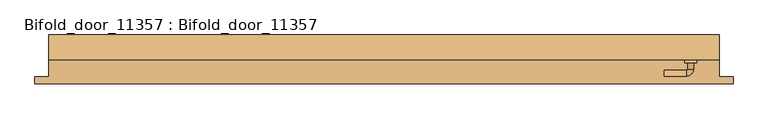
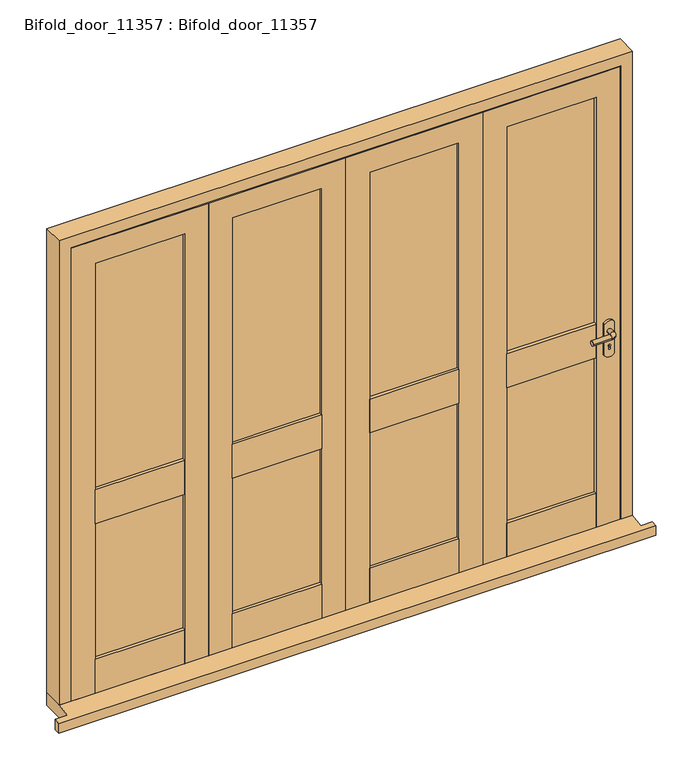
"""IFC4 building model written with IfcOpenShell, lengths in millimetres: door geometry, Bifold_door_11357 : Bifold_door_11357."""

from ifc_helpers import new_model, si_unit, point, frame, frame_2d, origin, place, context, project, spatial, polyline, circle_curve, ellipse_curve, trimmed, segment, composite_curve, outline, extrude, faceted_brep, source, transform, mapped, element, save
from ifc_brep_helpers import plane_surface, cylinder_surface, revolved_surface, advanced_brep


def bifold_door_11357_bifold_door_11357_41d5f18a(model_context):
    return source(origin(), model_context, "Body", "SolidModel", [
        extrude(outline(polyline([(100.0, -40.0), (100.0, -26.0), (474.25, -26.0), (474.25, -40.0), (100.0, -40.0)])), frame((0.0, 0.0, 804.5), z_axis=(0.0, 0.0, 1.0), x_axis=(1.0, 0.0, 0.0)), (0.0, 0.0, 1.0), 150.0),
        extrude(outline(polyline([(474.25, 4.0), (474.25, -10.0), (100.0, -10.0), (100.0, 4.0), (474.25, 4.0)])), frame((0.0, 0.0, 804.5), z_axis=(0.0, 0.0, 1.0), x_axis=(1.0, 0.0, 0.0)), (0.0, 0.0, 1.0), 150.0),
        extrude(outline(polyline([(474.25, -10.0), (474.25, -26.0), (100.0, -26.0), (100.0, -10.0), (474.25, -10.0)])), frame((0.0, 0.0, 204.5), z_axis=(0.0, 0.0, 1.0), x_axis=(1.0, 0.0, 0.0)), (0.0, 0.0, 1.0), 1754.0),
        extrude(outline(polyline([(100.0, 4.0), (474.25, 4.0), (474.25, -40.0), (100.0, -40.0), (100.0, 4.0)])), frame((0.0, 0.0, 54.5), z_axis=(0.0, 0.0, 1.0), x_axis=(1.0, 0.0, 0.0)), (0.0, 0.0, 1.0), 150.0),
        extrude(outline(polyline([(54.5, 100.0), (1958.5, 100.0), (1958.5, 474.25), (54.5, 474.25), (54.5, 574.25), (2058.5, 574.25), (2058.5, 0.0), (54.5, 0.0), (54.5, 100.0)])), frame((0.0, -40.0, 0.0), z_axis=(0.0, 1.0, 0.0), x_axis=(0.0, 0.0, 1.0)), (0.0, 0.0, 1.0), 44.0),
        extrude(outline(polyline([(-474.25, -40.0), (-474.25, -26.0), (-100.0, -26.0), (-100.0, -40.0), (-474.25, -40.0)])), frame((0.0, 0.0, 804.5), z_axis=(0.0, 0.0, 1.0), x_axis=(1.0, 0.0, 0.0)), (0.0, 0.0, 1.0), 150.0),
        extrude(outline(polyline([(-100.0, 4.0), (-100.0, -10.0), (-474.25, -10.0), (-474.25, 4.0), (-100.0, 4.0)])), frame((0.0, 0.0, 804.5), z_axis=(0.0, 0.0, 1.0), x_axis=(1.0, 0.0, 0.0)), (0.0, 0.0, 1.0), 150.0),
        extrude(outline(polyline([(-100.0, -10.0), (-100.0, -26.0), (-474.25, -26.0), (-474.25, -10.0), (-100.0, -10.0)])), frame((0.0, 0.0, 204.5), z_axis=(0.0, 0.0, 1.0), x_axis=(1.0, 0.0, 0.0)), (0.0, 0.0, 1.0), 1754.0),
        extrude(outline(polyline([(-474.25, 4.0), (-100.0, 4.0), (-100.0, -40.0), (-474.25, -40.0), (-474.25, 4.0)])), frame((0.0, 0.0, 54.5), z_axis=(0.0, 0.0, 1.0), x_axis=(1.0, 0.0, 0.0)), (0.0, 0.0, 1.0), 150.0),
        extrude(outline(polyline([(54.5, -474.25), (1958.5, -474.25), (1958.5, -100.0), (54.5, -100.0), (54.5, 0.0), (2058.5, 0.0), (2058.5, -574.25), (54.5, -574.25), (54.5, -474.25)])), frame((0.0, -40.0, 0.0), z_axis=(0.0, 1.0, 0.0), x_axis=(0.0, 0.0, 1.0)), (0.0, 0.0, 1.0), 44.0),
        extrude(outline(polyline([(674.25, -40.0), (674.25, -26.0), (1048.5, -26.0), (1048.5, -40.0), (674.25, -40.0)])), frame((0.0, 0.0, 804.5), z_axis=(0.0, 0.0, 1.0), x_axis=(1.0, 0.0, 0.0)), (0.0, 0.0, 1.0), 150.0),
        extrude(outline(polyline([(1048.5, 4.0), (1048.5, -10.0), (674.25, -10.0), (674.25, 4.0), (1048.5, 4.0)])), frame((0.0, 0.0, 804.5), z_axis=(0.0, 0.0, 1.0), x_axis=(1.0, 0.0, 0.0)), (0.0, 0.0, 1.0), 150.0),
        extrude(outline(polyline([(1048.5, -10.0), (1048.5, -26.0), (674.25, -26.0), (674.25, -10.0), (1048.5, -10.0)])), frame((0.0, 0.0, 204.5), z_axis=(0.0, 0.0, 1.0), x_axis=(1.0, 0.0, 0.0)), (0.0, 0.0, 1.0), 1754.0),
        extrude(outline(polyline([(674.25, 4.0), (1048.5, 4.0), (1048.5, -40.0), (674.25, -40.0), (674.25, 4.0)])), frame((0.0, 0.0, 54.5), z_axis=(0.0, 0.0, 1.0), x_axis=(1.0, 0.0, 0.0)), (0.0, 0.0, 1.0), 150.0),
        extrude(outline(polyline([(54.5, 674.25), (1958.5, 674.25), (1958.5, 1048.5), (54.5, 1048.5), (54.5, 1148.5), (2058.5, 1148.5), (2058.5, 574.25), (54.5, 574.25), (54.5, 674.25)])), frame((0.0, -40.0, 0.0), z_axis=(0.0, 1.0, 0.0), x_axis=(0.0, 0.0, 1.0)), (0.0, 0.0, 1.0), 44.0),
        extrude(outline(polyline([(-1048.5, -40.0), (-1048.5, -26.0), (-674.25, -26.0), (-674.25, -40.0), (-1048.5, -40.0)])), frame((0.0, 0.0, 804.5), z_axis=(0.0, 0.0, 1.0), x_axis=(1.0, 0.0, 0.0)), (0.0, 0.0, 1.0), 150.0),
        extrude(outline(polyline([(-674.25, 4.0), (-674.25, -10.0), (-1048.5, -10.0), (-1048.5, 4.0), (-674.25, 4.0)])), frame((0.0, 0.0, 804.5), z_axis=(0.0, 0.0, 1.0), x_axis=(1.0, 0.0, 0.0)), (0.0, 0.0, 1.0), 150.0),
        extrude(outline(polyline([(-674.25, -10.0), (-674.25, -26.0), (-1048.5, -26.0), (-1048.5, -10.0), (-674.25, -10.0)])), frame((0.0, 0.0, 204.5), z_axis=(0.0, 0.0, 1.0), x_axis=(1.0, 0.0, 0.0)), (0.0, 0.0, 1.0), 1754.0),
        extrude(outline(polyline([(-1048.5, 4.0), (-674.25, 4.0), (-674.25, -40.0), (-1048.5, -40.0), (-1048.5, 4.0)])), frame((0.0, 0.0, 54.5), z_axis=(0.0, 0.0, 1.0), x_axis=(1.0, 0.0, 0.0)), (0.0, 0.0, 1.0), 150.0),
        extrude(outline(polyline([(54.5, -1048.5), (1958.5, -1048.5), (1958.5, -674.25), (54.5, -674.25), (54.5, -574.25), (2058.5, -574.25), (2058.5, -1148.5), (54.5, -1148.5), (54.5, -1048.5)])), frame((0.0, -40.0, 0.0), z_axis=(0.0, 1.0, 0.0), x_axis=(0.0, 0.0, 1.0)), (0.0, 0.0, 1.0), 44.0),
        advanced_brep(
        [(1108.5, -50.0, 913.5197851), (1088.5, -50.0, 913.5197851), (1088.5, -73.0, 913.5197851), (1108.5, -73.0, 913.5197851), (1083.5, -78.0, 913.5197851), (1083.5, -98.0, 913.5197851), (1003.3501694, -98.0, 913.5197851), (1003.3501694, -78.0, 913.5197851)],
        [
            (0, 1, circle_curve(frame((1098.5, -50.0, 913.5197851), z_axis=(0.0, 1.0, 0.0), x_axis=(-1.0, 0.0, 0.0)), 10.0)),
            (1, 0, circle_curve(frame((1098.5, -50.0, 913.5197851), z_axis=(0.0, 1.0, 0.0), x_axis=(-1.0, 0.0, 0.0)), 10.0)),
            (1, 2),
            (2, 3, circle_curve(frame((1098.5, -73.0, 913.5197851), z_axis=(0.0, 1.0, 0.0), x_axis=(-1.0, 0.0, 0.0)), 10.0)),
            (3, 0),
            (3, 2, circle_curve(frame((1098.5, -73.0, 913.5197851), z_axis=(0.0, 1.0, 0.0), x_axis=(-1.0, 0.0, 0.0)), 10.0)),
            (4, 5, circle_curve(frame((1083.5, -88.0, 913.5197851), z_axis=(1.0, 0.0, 0.0), x_axis=(0.0, 1.0, 0.0)), 10.0)),
            (5, 3, circle_curve(frame((1083.5, -73.0, 913.5197851), z_axis=(0.0, 0.0, 1.0), x_axis=(1.0, 0.0, 0.0)), 25.0)),
            (2, 4, circle_curve(frame((1083.5, -73.0, 913.5197851), z_axis=(0.0, 0.0, -1.0), x_axis=(1.0, 0.0, 0.0)), 5.0)),
            (5, 4, circle_curve(frame((1083.5, -88.0, 913.5197851), z_axis=(1.0, 0.0, 0.0), x_axis=(0.0, 1.0, 0.0)), 10.0)),
            (6, 7, circle_curve(frame((1003.3501694, -88.0, 913.5197851), z_axis=(-1.0, 0.0, 0.0), x_axis=(0.0, 1.0, 0.0)), 10.0)),
            (7, 6, circle_curve(frame((1003.3501694, -88.0, 913.5197851), z_axis=(-1.0, 0.0, 0.0), x_axis=(0.0, 1.0, 0.0)), 10.0)),
            (4, 7),
            (6, 5),
        ],
        [
            plane_surface(frame((1098.5, -50.0, 0.0), z_axis=(0.0, 1.0, 0.0), x_axis=(0.0, 0.0, 1.0))),
            cylinder_surface(frame((1098.5, -50.0, 913.5197851), z_axis=(0.0, 1.0, 0.0), x_axis=(-1.0, 0.0, 0.0)), 10.0),
            revolved_surface(trimmed(ellipse_curve(frame((1098.5, -73.0, 913.5197851), z_axis=(0.0, -1.0, 0.0), x_axis=(-1.0, 0.0, 0.0)), 10.0, 10.0), [point((1108.5, -73.0, 913.5197851))], [point((1088.5, -73.0, 913.5197851))], True, "CARTESIAN"), (1083.5, -73.0, 0.0), (0.0, 0.0, 1.0)),
            revolved_surface(trimmed(ellipse_curve(frame((1098.5, -73.0, 913.5197851), z_axis=(0.0, -1.0, 0.0), x_axis=(-1.0, 0.0, 0.0)), 10.0, 10.0), [point((1088.5, -73.0, 913.5197851))], [point((1108.5, -73.0, 913.5197851))], True, "CARTESIAN"), (1083.5, -73.0, 0.0), (0.0, 0.0, 1.0)),
            plane_surface(frame((1003.3501694, -88.0, 0.0), z_axis=(-1.0, 0.0, 0.0), x_axis=(0.0, 0.0, 1.0))),
            cylinder_surface(frame((1083.5, -88.0, 913.5197851), z_axis=(1.0, 0.0, 0.0), x_axis=(0.0, 1.0, 0.0)), 10.0),
        ],
        [
            (0, [[1, 2]]),
            (1, [[3, 4, 5, -2]]),
            (1, [[-5, 6, -3, -1]]),
            (2, [[7, 8, -4, 9]]),
            (3, [[10, -9, -6, -8]]),
            (4, [[11, 12]]),
            (5, [[13, -11, 14, -7]]),
            (5, [[-14, -12, -13, -10]]),
        ],
    ),
        extrude(outline(composite_curve([segment(polyline([(809.5, 1119.5), (947.5395702, 1119.5)]), True, "CONTINUOUS"), segment(trimmed(circle_curve(frame_2d((932.9481035, 1098.5)), 25.5716817), [point((947.5395702, 1119.5))], [point((947.5395702, 1077.5))], False, "CARTESIAN"), True, "CONTINUOUS"), segment(polyline([(947.5395702, 1077.5), (809.5, 1077.5)]), True, "CONTINUOUS"), segment(trimmed(circle_curve(frame_2d((824.0914668, 1098.5)), 25.5716817), [point((809.5, 1077.5))], [point((809.5, 1119.5))], False, "CARTESIAN"), True, "CONTINUOUS")], self_intersect=False), holes=[composite_curve([segment(polyline([(834.5197851, 1095.5), (844.5197851, 1095.5)]), True, "CONTINUOUS"), segment(trimmed(circle_curve(frame_2d((848.5197851, 1098.5)), 5.0), [point((844.5197851, 1095.5))], [point((844.5197851, 1101.5))], True, "CARTESIAN"), True, "CONTINUOUS"), segment(polyline([(844.5197851, 1101.5), (834.5197851, 1101.5)]), True, "CONTINUOUS"), segment(trimmed(circle_curve(frame_2d((834.7134009, 1098.5)), 3.0062414), [point((834.5197851, 1101.5))], [point((834.5197851, 1095.5))], True, "CARTESIAN"), True, "CONTINUOUS")], self_intersect=False)]), frame((0.0, -50.0, 0.0), z_axis=(0.0, 1.0, 0.0), x_axis=(0.0, 0.0, 1.0)), (0.0, 0.0, 1.0), 10.0),
        faceted_brep([(1250.0, -125.0, 0.0), (1250.0, -100.0, 0.0), (1250.0, -100.0, 45.4007353), (1250.0, -125.0, 41.609375), (-1250.0, -125.0, 41.609375), (-1250.0, -100.0, 45.4007353), (-1250.0, -100.0, 0.0), (-1250.0, -125.0, 0.0), (-1200.0, 49.0, 54.5), (1200.0, 49.0, 54.5), (1200.0, 49.0, 0.0), (-1200.0, 49.0, 0.0), (-1200.0, -100.0, 0.0), (1200.0, -100.0, 0.0), (1200.0, -100.0, 45.4007353), (1200.0, -40.0, 54.5), (-1200.0, -40.0, 54.5), (-1200.0, -100.0, 45.4007353)], [[[0, 1, 2, 3]], [[4, 5, 6, 7]], [[8, 9, 10, 11]], [[7, 6, 12, 11, 10, 13, 1, 0]], [[3, 4, 7, 0]], [[3, 2, 14, 15, 16, 17, 5, 4]], [[16, 15, 9, 8]], [[12, 6, 5, 17]], [[17, 16, 8, 11, 12]], [[13, 10, 9, 15, 14]], [[14, 2, 1, 13]]]),
        faceted_brep([(1200.0, 49.0, 54.5), (1200.0, -40.0, 54.5), (1151.5, -40.0, 54.5), (1151.5, 7.0, 54.5), (1129.5, 7.0, 54.5), (1129.5, 49.0, 54.5), (1129.5, 49.0, 2039.5), (-1129.5, 49.0, 2039.5), (-1129.5, 49.0, 54.5), (-1200.0, 49.0, 54.5), (-1200.0, 49.0, 2110.0), (1200.0, 49.0, 2110.0), (1129.5, 7.0, 2039.5), (1151.5, 7.0, 2061.5), (-1151.5, 7.0, 2061.5), (-1151.5, 7.0, 54.5), (-1129.5, 7.0, 54.5), (-1129.5, 7.0, 2039.5), (1151.5, -40.0, 2061.5), (1200.0, -40.0, 2110.0), (-1200.0, -40.0, 2110.0), (-1200.0, -40.0, 54.5), (-1151.5, -40.0, 54.5), (-1151.5, -40.0, 2061.5)], [[[0, 1, 2, 3, 4, 5]], [[5, 6, 7, 8, 9, 10, 11, 0]], [[4, 12, 6, 5]], [[3, 13, 14, 15, 16, 17, 12, 4]], [[2, 18, 13, 3]], [[1, 19, 20, 21, 22, 23, 18, 2]], [[0, 11, 19, 1]], [[10, 9, 21, 20]], [[9, 8, 16, 15, 22, 21]], [[17, 16, 8, 7]], [[23, 22, 15, 14]], [[12, 17, 7, 6]], [[18, 23, 14, 13]], [[11, 10, 20, 19]]]),
    ])


if __name__ == "__main__":
    model = new_model("IFC4")
    model_context = context("Model", 3, world=origin())
    ifc_project = project(units=[si_unit("LENGTHUNIT", "METRE", prefix="MILLI")], contexts=[model_context])
    site = spatial("IfcSite", under=ifc_project)
    building = spatial("IfcBuilding", under=site)
    placement = place(None, origin())
    bifold_door_11357_bifold_door_11357_shape = bifold_door_11357_bifold_door_11357_41d5f18a(model_context)
    element("IfcDoor", 1, ObjectType="Bifold_door_11357 : Bifold_door_11357", at=placement, inside=building, context=model_context, shape_type="MappedRepresentation", body=[
        mapped(bifold_door_11357_bifold_door_11357_shape, transform((0.0, 0.0, 0.0), x_axis=(1.0, 0.0, 0.0), y_axis=(0.0, 1.0, 0.0), z_axis=(0.0, 0.0, 1.0))),
    ])
    save(model, "model.ifc")
